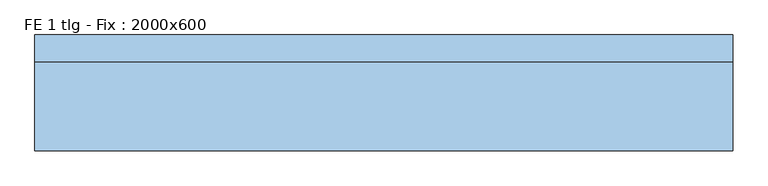
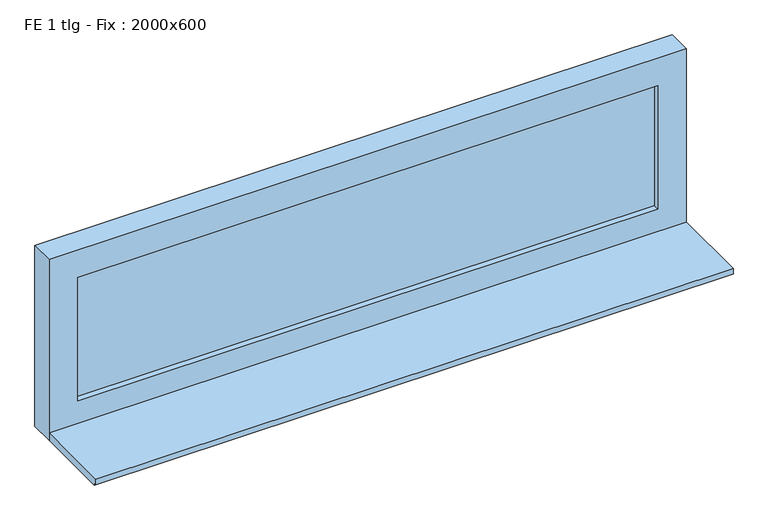
"""IFC4 building model written with IfcOpenShell, lengths in millimetres: window geometry, FE 1 tlg - Fix : 2000x600."""

from ifc_helpers import new_model, si_unit, frame, origin, place, context, project, spatial, polyline, outline, extrude, source, transform, mapped, element, save


def fe_1_tlg_fix_2000x600_228ddcb0(model_context):
    return source(origin(), model_context, "Body", "SweptSolid", [
        extrude(outline(polyline([(910.0, 107.0), (910.0, 63.0), (-910.0, 63.0), (-910.0, 107.0), (910.0, 107.0)])), frame((0.0, 0.0, 950.0), z_axis=(0.0, 0.0, 1.0), x_axis=(1.0, 0.0, 0.0)), (0.0, 0.0, 1.0), 410.0),
        extrude(outline(polyline([(1450.0, 1000.0), (1450.0, -1000.0), (850.0, -1000.0), (850.0, 1000.0), (1450.0, 1000.0)]), holes=[polyline([(1360.0, -910.0), (1360.0, 910.0), (950.0, 910.0), (950.0, -910.0), (1360.0, -910.0)])]), frame((0.0, 45.0, 0.0), z_axis=(0.0, 1.0, 0.0), x_axis=(0.0, 0.0, 1.0)), (0.0, 0.0, 1.0), 77.0),
        extrude(outline(polyline([(-210.0, 875.0), (45.0, 875.0), (45.0, 850.0), (-200.0, 850.0), (-200.0, 857.0), (-210.0, 857.0), (-210.0, 875.0)])), frame((-1000.0, 0.0, 0.0), z_axis=(1.0, 0.0, 0.0), x_axis=(0.0, 1.0, 0.0)), (0.0, 0.0, 1.0), 2000.0),
    ])


if __name__ == "__main__":
    model = new_model("IFC4")
    model_context = context("Model", 3, world=origin())
    ifc_project = project(units=[si_unit("LENGTHUNIT", "METRE", prefix="MILLI")], contexts=[model_context])
    site = spatial("IfcSite", under=ifc_project)
    building = spatial("IfcBuilding", under=site)
    placement = place(None, origin())
    fe_1_tlg_fix_2000x600_shape = fe_1_tlg_fix_2000x600_228ddcb0(model_context)
    element("IfcWindow", 1, ObjectType="FE 1 tlg - Fix : 2000x600", at=placement, inside=building, context=model_context, shape_type="MappedRepresentation", body=[
        mapped(fe_1_tlg_fix_2000x600_shape, transform((0.0, 0.0, 0.0), x_axis=(1.0, 0.0, 0.0), y_axis=(0.0, 1.0, 0.0), z_axis=(0.0, 0.0, 1.0))),
    ])
    save(model, "model.ifc")
